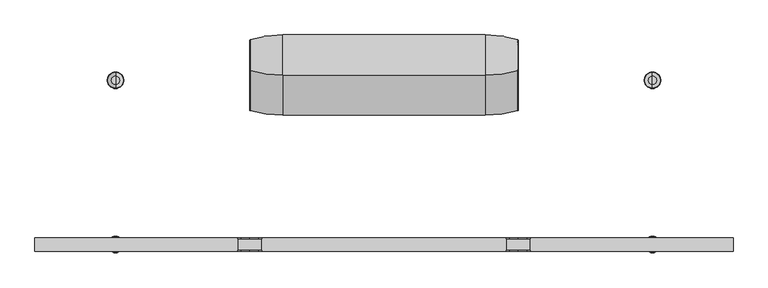
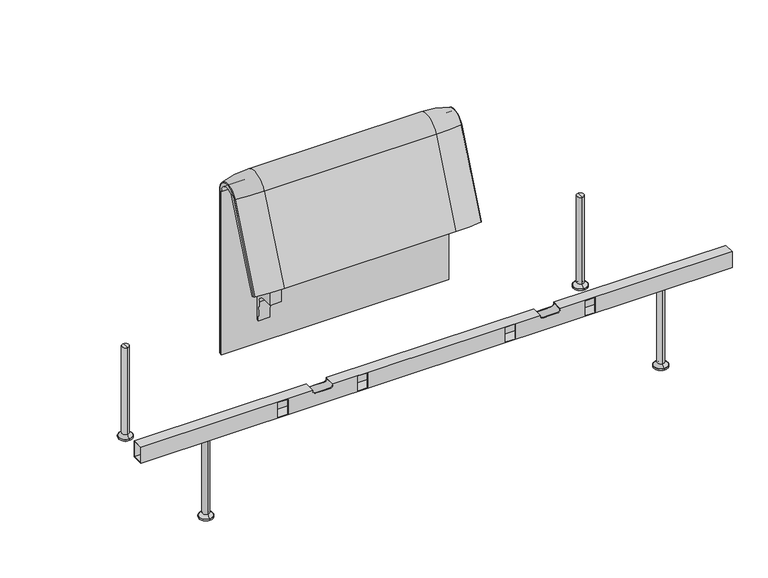
"""IFC4 building model written with IfcOpenShell, lengths in millimetres: furniture geometry."""

import ifcopenshell
import ifcopenshell.guid

model = None  # the IFC model being written
_history = None  # IfcOwnerHistory: only IFC2X3 demands one
_inside = {}  # id of a spatial element -> (the spatial element, [elements in it])
_under = {}  # id of a project, library or spatial element -> (it, [spatial elements below it])
_declared = {}  # id of a project -> (the project, [libraries it declares])
_typed = {}  # id of a type object -> (the type object, [elements of that type])
_made_of = {}  # id of a material, layer set ... -> (it, [elements and type objects made of it])


def new_model(schema):
    """Start an empty IFC model of exactly this schema.

    Asked for "IFC4X3", IfcOpenShell would pick the latest addendum, in which some entities
    have other attributes; the version numbers below select the first issue.
    IFC2X3 requires an IfcOwnerHistory on every rooted entity: one is made here for all.
    """
    global model, _history
    if schema == "IFC4X3":
        model = ifcopenshell.file(schema_version=(4, 3, 0, 0))
    else:
        model = ifcopenshell.file(schema=schema)
    _inside.clear()
    _under.clear()
    _declared.clear()
    _typed.clear()
    _made_of.clear()
    _history = None
    if model.schema == "IFC2X3":
        org = make("IfcOrganization", Name="unknown")
        user = make(
            "IfcPersonAndOrganization",
            ThePerson=make("IfcPerson", FamilyName="unknown"),
            TheOrganization=org,
        )
        app = make(
            "IfcApplication",
            ApplicationDeveloper=org,
            Version="unknown",
            ApplicationFullName="unknown",
            ApplicationIdentifier="unknown",
        )
        _history = make(
            "IfcOwnerHistory",
            OwningUser=user,
            OwningApplication=app,
            ChangeAction="ADDED",
            CreationDate=0,
        )
    return model


def make(cls, **values):
    """One entity of the class cls with the attributes given. An attribute that is None is left unset."""
    return model.create_entity(
        cls, **{name: value for name, value in values.items() if value is not None}
    )


def rooted(cls, **values):
    """An entity with a GlobalId (a new one), such as an element, a storey or a relation."""
    return make(cls, GlobalId=ifcopenshell.guid.new(), OwnerHistory=_history, **values)


def si_unit(unit_type, name, prefix=None):
    """IfcSIUnit, for example si_unit("LENGTHUNIT", "METRE", prefix="MILLI")."""
    return make("IfcSIUnit", UnitType=unit_type, Prefix=prefix, Name=name)


def assignment(units):
    """IfcUnitAssignment: the units of a project."""
    return None if units is None else make("IfcUnitAssignment", Units=units)


def point(xyz):
    """IfcCartesianPoint."""
    return None if xyz is None else make("IfcCartesianPoint", Coordinates=xyz)


def direction(xyz):
    """IfcDirection."""
    return None if xyz is None else make("IfcDirection", DirectionRatios=xyz)


def frame(location, z_axis=None, x_axis=None):
    """IfcAxis2Placement3D, a coordinate frame: its origin and axes. An axis left out is left unset."""
    return make(
        "IfcAxis2Placement3D",
        Location=point(location),
        Axis=direction(z_axis),
        RefDirection=direction(x_axis),
    )


def frame_2d(location, x_axis=None):
    """IfcAxis2Placement2D, a coordinate frame in the plane: its origin and x axis."""
    return make(
        "IfcAxis2Placement2D", Location=point(location), RefDirection=direction(x_axis)
    )


def origin():
    """The frame at (0, 0, 0) with its axes left unset."""
    return frame((0.0, 0.0, 0.0))


def place(relative_to, where):
    """IfcLocalPlacement: puts the frame where relative to a parent placement (None: the world)."""
    return make(
        "IfcLocalPlacement", PlacementRelTo=relative_to, RelativePlacement=where
    )


def context(
    kind, dimensions, precision=None, world=None, true_north=None, identifier=None
):
    """IfcGeometricRepresentationContext, for example the 3D "Model" context."""
    return make(
        "IfcGeometricRepresentationContext",
        ContextIdentifier=identifier,
        ContextType=kind,
        CoordinateSpaceDimension=dimensions,
        Precision=precision,
        WorldCoordinateSystem=world,
        TrueNorth=true_north,
    )


def project(units=None, contexts=None):
    """IfcProject with its units and contexts."""
    return rooted(
        "IfcProject",
        Name="project",
        RepresentationContexts=contexts,
        UnitsInContext=assignment(units),
    )


def spatial(cls, under=None, at=None, **own):
    """A site, building, storey or space (cls), placed at a placement, below another one or the project."""
    s = rooted(cls, ObjectPlacement=at, **own)
    if under is not None:
        _under.setdefault(under.id(), (under, []))[1].append(s)
    return s


def polyline(points):
    """IfcPolyline through the points."""
    return make("IfcPolyline", Points=[point(p) for p in points])


def circle_curve(where, radius):
    """IfcCircle in the frame where."""
    return make("IfcCircle", Position=where, Radius=radius)


def ellipse_curve(where, semi_axis1, semi_axis2):
    """IfcEllipse in the frame where."""
    return make(
        "IfcEllipse", Position=where, SemiAxis1=semi_axis1, SemiAxis2=semi_axis2
    )


def trimmed(basis, trim1, trim2, sense, master):
    """IfcTrimmedCurve: the piece of a basis curve between two trims."""
    return make(
        "IfcTrimmedCurve",
        BasisCurve=basis,
        Trim1=trim1,
        Trim2=trim2,
        SenseAgreement=sense,
        MasterRepresentation=master,
    )


def segment(curve, same_sense, transition):
    """IfcCompositeCurveSegment."""
    return make(
        "IfcCompositeCurveSegment",
        Transition=transition,
        SameSense=same_sense,
        ParentCurve=curve,
    )


def composite_curve(segments, self_intersect=None):
    """IfcCompositeCurve: segments joined end to end."""
    return make("IfcCompositeCurve", Segments=segments, SelfIntersect=self_intersect)


def outline(outer, holes=None, kind="AREA"):
    """IfcArbitraryClosedProfileDef: a profile drawn as a closed curve; with holes, ...WithVoids."""
    if holes is None:
        return make("IfcArbitraryClosedProfileDef", ProfileType=kind, OuterCurve=outer)
    return make(
        "IfcArbitraryProfileDefWithVoids",
        ProfileType=kind,
        OuterCurve=outer,
        InnerCurves=holes,
    )


def extrude(swept, where, along, depth):
    """IfcExtrudedAreaSolid: the profile swept, set in the frame where, extruded along a direction by depth."""
    return make(
        "IfcExtrudedAreaSolid",
        SweptArea=swept,
        Position=where,
        ExtrudedDirection=direction(along),
        Depth=depth,
    )


def shape(context_of_items, identifier, shape_type, items):
    """IfcShapeRepresentation: the items that make up one representation, for example the "Body"."""
    return make(
        "IfcShapeRepresentation",
        ContextOfItems=context_of_items,
        RepresentationIdentifier=identifier,
        RepresentationType=shape_type,
        Items=items,
    )


def source(mapping_origin, context_of_items, identifier, shape_type, items):
    """IfcRepresentationMap: a shape defined once, which mapped items show again and again."""
    return make(
        "IfcRepresentationMap",
        MappingOrigin=mapping_origin,
        MappedRepresentation=shape(context_of_items, identifier, shape_type, items),
    )


def transform(
    local_origin,
    x_axis=None,
    y_axis=None,
    z_axis=None,
    scale=None,
    scale2=None,
    scale3=None,
    uniform=True,
):
    """IfcCartesianTransformationOperator3D, or its non-uniform kind. x_axis, y_axis, z_axis: its Axis1, 2, 3."""
    if uniform:
        return make(
            "IfcCartesianTransformationOperator3D",
            Axis1=direction(x_axis),
            Axis2=direction(y_axis),
            LocalOrigin=point(local_origin),
            Scale=scale,
            Axis3=direction(z_axis),
        )
    return make(
        "IfcCartesianTransformationOperator3DnonUniform",
        Axis1=direction(x_axis),
        Axis2=direction(y_axis),
        LocalOrigin=point(local_origin),
        Scale=scale,
        Axis3=direction(z_axis),
        Scale2=scale2,
        Scale3=scale3,
    )


def mapped(mapping_source, mapping_target):
    """IfcMappedItem: shows the shape of a source again, moved by a transform."""
    return make(
        "IfcMappedItem", MappingSource=mapping_source, MappingTarget=mapping_target
    )


def made_of(thing, what):
    """Note that an element or type object is made of a material, layer set ...; save() writes the relation."""
    if what is not None:
        _made_of.setdefault(what.id(), (what, []))[1].append(thing)
    return thing


def element(
    cls,
    number,
    at=None,
    inside=None,
    cuts=None,
    type_object=None,
    material=None,
    context=None,
    identifier="Body",
    shape_type=None,
    held_by="IfcProductDefinitionShape",
    body=None,
    shapes=None,
    **own,
):
    """One element of the class cls, such as IfcWall. Its Tag is "e" and its number.

    at: its placement. inside: the storey or other place that contains it. cuts: it is an
    opening in that element (IfcRelVoidsElement). A single representation is given by context,
    identifier, shape_type and body (its items); several are given by shapes. held_by: the class
    of the entity that holds the representations. save() writes the other relations.
    """
    e = rooted(cls, Tag="e%d" % number, ObjectPlacement=at, **own)
    if body is not None:
        shapes = [shape(context, identifier, shape_type, body)]
    if shapes is not None:
        e.Representation = make(held_by, Representations=shapes)
    if inside is not None:
        _inside.setdefault(inside.id(), (inside, []))[1].append(e)
    if cuts is not None:
        rooted(
            "IfcRelVoidsElement", RelatingBuildingElement=cuts, RelatedOpeningElement=e
        )
    if type_object is not None:
        _typed.setdefault(type_object.id(), (type_object, []))[1].append(e)
    return made_of(e, material)


def aggregate(whole, parts):
    """IfcRelAggregates: a whole, such as a stair, and the parts it consists of."""
    return rooted("IfcRelAggregates", RelatingObject=whole, RelatedObjects=parts)


def save(model, path):
    """Write the relations noted so far, then the file.

    IfcRelAggregates (storeys below a building ...), IfcRelContainedInSpatialStructure (elements
    in a storey), IfcRelDefinesByType, IfcRelAssociatesMaterial and IfcRelDeclares: one each for
    every whole, place, type object, material and project.
    """
    for whole, parts in _under.values():
        aggregate(whole, parts)
    for where, things in _inside.values():
        rooted(
            "IfcRelContainedInSpatialStructure",
            RelatedElements=things,
            RelatingStructure=where,
        )
    for kind, things in _typed.values():
        rooted("IfcRelDefinesByType", RelatedObjects=things, RelatingType=kind)
    for what, things in _made_of.values():
        rooted("IfcRelAssociatesMaterial", RelatedObjects=things, RelatingMaterial=what)
    for by, libraries in _declared.values():
        rooted("IfcRelDeclares", RelatingContext=by, RelatedDefinitions=libraries)
    model.write(path)


def plane_surface(at):
    """IfcPlane: the flat surface through the origin of the frame at, square to its z axis."""
    return make("IfcPlane", Position=at)


def cylinder_surface(at, radius):
    """IfcCylindricalSurface: all points at the distance radius from the z axis of the frame at."""
    return make("IfcCylindricalSurface", Position=at, Radius=radius)


def revolved_surface(curve, axis_point, axis_direction):
    """IfcSurfaceOfRevolution: the curve turned about the line through axis_point along axis_direction."""
    return make(
        "IfcSurfaceOfRevolution",
        SweptCurve=make("IfcArbitraryOpenProfileDef", ProfileType="CURVE", Curve=curve),
        AxisPosition=make("IfcAxis1Placement", Location=point(axis_point), Axis=direction(axis_direction)),
    )


def advanced_brep(points, edges, surfaces, faces):
    """IfcAdvancedBrep: a solid bounded by faces that lie on surfaces and meet in shared edges.

    An edge is (start, end): straight between two places in points (the first is 0);
    or (start, end, curve); or (start, end, curve, False) where it runs against its curve.
    A face is (place in surfaces, loops), or (place, loops, False) where it looks against
    its surface's normal. A loop lists edges by number (the first is 1), with a minus sign
    where the edge is run from its end to its start. The first loop is the outer one.
    """
    corners = [point(p) for p in points]
    vertices = [make("IfcVertexPoint", VertexGeometry=c) for c in corners]
    made = []
    for start, end, *more in edges:
        made.append(
            make(
                "IfcEdgeCurve",
                EdgeStart=vertices[start],
                EdgeEnd=vertices[end],
                EdgeGeometry=more[0] if more else make("IfcPolyline", Points=[corners[start], corners[end]]),
                SameSense=more[1] if len(more) > 1 else True,
            )
        )
    hull = []
    for where, loops, *sense in faces:
        bounds = []
        for j, loop in enumerate(loops):
            ring = [make("IfcOrientedEdge", EdgeElement=made[abs(k) - 1], Orientation=k > 0) for k in loop]
            bounds.append(
                make(
                    "IfcFaceOuterBound" if j == 0 else "IfcFaceBound",
                    Bound=make("IfcEdgeLoop", EdgeList=ring),
                    Orientation=True,
                )
            )
        hull.append(make("IfcAdvancedFace", Bounds=bounds, FaceSurface=surfaces[where], SameSense=sense[0] if sense else True))
    return make("IfcAdvancedBrep", Outer=make("IfcClosedShell", CfsFaces=hull))


def furniture_bf29ee5d(model_context):
    return source(origin(), model_context, "Body", "SolidModel", [
        advanced_brep(
        [(405.86854, 373.93893, 100.5089435), (308.0071685, 388.2902376, 100.5089435), (308.0071685, 388.2902376, 720.3417731), (405.86854, 373.93893, 720.3417731), (-408.0071685, 292.4403877, 733.7122262), (-408.0071685, 359.7858817, 720.3417731), (408.0071685, 359.7858817, 720.3417731), (408.0071685, 292.4403877, 733.7122262), (-308.0071685, 388.2902376, 100.5089435), (-405.86854, 373.93893, 100.5089435), (-405.86854, 373.93893, 720.3417731), (-308.0071685, 388.2902376, 720.3417731), (-405.86854, 279.3607494, 739.1188739), (-408.0071685, 282.0164812, 738.0210907), (-408.0071685, 159.7723383, 442.2908598), (-405.86854, 157.1166065, 443.3886429), (-308.0071685, 266.0978884, 744.6012592), (-308.0071685, 143.8537454, 448.8710282), (408.0071685, 371.0652495, 100.5089435), (408.0071685, 359.7858817, 100.5089435), (-408.0071685, 359.7858817, 100.5089435), (-408.0071685, 371.0652495, 100.5089435), (408.0071685, 371.0652495, 720.3417731), (408.0071685, 282.0164812, 738.0210907), (408.0071685, 159.7723383, 442.2908598), (408.0071685, 170.1962447, 437.9819952), (308.0071685, 143.8537454, 448.8710282), (-408.0071685, 170.1962447, 437.9819952), (405.86854, 157.1166065, 443.3886429), (308.0071685, 266.0978884, 744.6012592), (405.86854, 279.3607494, 739.1188739), (-408.0071685, 371.0652495, 720.3417731)],
        [
            (0, 1, circle_curve(frame((308.0071685, 47.4569043, 100.5089435), z_axis=(0.0, 0.0, 1.0), x_axis=(0.0, -1.0, 0.0)), 340.8333333)),
            (1, 2),
            (2, 3, circle_curve(frame((308.0071685, 47.4569043, 720.3417731), z_axis=(0.0, 0.0, -1.0), x_axis=(0.0, -1.0, 0.0)), 340.8333333)),
            (3, 0),
            (4, 5, circle_curve(frame((-408.0071685, 324.7858817, 720.3417731), z_axis=(-1.0, 0.0, 0.0), x_axis=(0.0, 1.0, 0.0)), 35.0)),
            (5, 6),
            (6, 7, circle_curve(frame((408.0071685, 324.7858817, 720.3417731), z_axis=(1.0, 0.0, 0.0), x_axis=(0.0, 1.0, 0.0)), 35.0)),
            (7, 4),
            (8, 9, circle_curve(frame((-308.0071685, 47.4569043, 100.5089435), z_axis=(0.0, 0.0, 1.0), x_axis=(0.0, -1.0, 0.0)), 340.8333333)),
            (9, 10),
            (10, 11, circle_curve(frame((-308.0071685, 47.4569043, 720.3417731), z_axis=(0.0, 0.0, -1.0), x_axis=(0.0, -1.0, 0.0)), 340.8333333)),
            (11, 8),
            (12, 13, circle_curve(frame((-405.0071685, 282.0164812, 738.0210907), z_axis=(0.0, -0.38201294675155345, -0.9241569717933176), x_axis=(-1.0, 0.0, 0.0)), 3.0)),
            (13, 14),
            (14, 15, circle_curve(frame((-405.0071685, 159.7723383, 442.2908598), z_axis=(0.0, 0.38201294675155345, 0.9241569717933176), x_axis=(-1.0, 0.0, 0.0)), 3.0)),
            (15, 12),
            (16, 12, circle_curve(frame((-308.0071685, 581.0813896, 614.3985132), z_axis=(0.0, -0.38201294675155345, -0.9241569717933176), x_axis=(0.0, 0.9241569717933176, -0.38201294675155345)), 340.8333333)),
            (15, 17, circle_curve(frame((-308.0071685, 458.8372467, 318.6682822), z_axis=(0.0, 0.38201294675155345, 0.9241569717933176), x_axis=(0.0, 0.9241569717933176, -0.38201294675155345)), 340.8333333)),
            (17, 16),
            (0, 18, circle_curve(frame((405.0071685, 371.0652495, 100.5089435), z_axis=(0.0, 0.0, -1.0), x_axis=(1.0, 0.0, 0.0)), 3.0)),
            (18, 19),
            (19, 20),
            (20, 21),
            (21, 9, circle_curve(frame((-405.0071685, 371.0652495, 100.5089435), z_axis=(0.0, 0.0, -1.0), x_axis=(-1.0, 0.0, 0.0)), 3.0)),
            (8, 1),
            (11, 2),
            (3, 22, circle_curve(frame((405.0071685, 371.0652495, 720.3417731), z_axis=(0.0, 0.0, -1.0), x_axis=(1.0, 0.0, 0.0)), 3.0)),
            (22, 18),
            (22, 23, circle_curve(frame((408.0071685, 324.7858817, 720.3417731), z_axis=(1.0, 0.0, 0.0), x_axis=(0.0, 1.0, 0.0)), 46.2793679)),
            (23, 24),
            (24, 25),
            (25, 7),
            (6, 19),
            (5, 20),
            (26, 17),
            (14, 27),
            (27, 25),
            (24, 28, circle_curve(frame((405.0071685, 159.7723383, 442.2908598), z_axis=(0.0, -0.38201294675155345, -0.9241569717933176), x_axis=(1.0, 0.0, 0.0)), 3.0)),
            (28, 26, circle_curve(frame((308.0071685, 458.8372467, 318.6682822), z_axis=(0.0, -0.38201294675155345, -0.9241569717933176), x_axis=(0.0, 0.9241569717933176, -0.38201294675155345)), 340.8333333)),
            (29, 2, circle_curve(frame((308.0071685, 324.7858817, 720.3417731), z_axis=(-1.0, 0.0, 0.0), x_axis=(0.0, 1.0, 0.0)), 63.5043559)),
            (11, 16, circle_curve(frame((-308.0071685, 324.7858817, 720.3417731), z_axis=(1.0, 0.0, 0.0), x_axis=(0.0, 1.0, 0.0)), 63.5043559)),
            (16, 29),
            (30, 3, circle_curve(frame((405.86854, 324.7858817, 720.3417731), z_axis=(-1.0, 0.0, 0.0), x_axis=(0.0, 1.0, 0.0)), 49.1530483)),
            (29, 30, circle_curve(frame((308.0071685, 581.0813896, 614.3985132), z_axis=(0.0, 0.382012946751556, 0.9241569717933165), x_axis=(0.0, 0.9241569717933165, -0.382012946751556)), 340.8333333)),
            (30, 23, circle_curve(frame((405.0071685, 282.0164812, 738.0210907), z_axis=(0.0, 0.3820129467515552, 0.9241569717933168), x_axis=(1.0, 0.0, 0.0)), 3.0)),
            (26, 29),
            (28, 30),
            (27, 4),
            (13, 31, circle_curve(frame((-408.0071685, 324.7858817, 720.3417731), z_axis=(-1.0, 0.0, 0.0), x_axis=(0.0, 1.0, 0.0)), 46.2793679)),
            (31, 21),
            (31, 10, circle_curve(frame((-405.0071685, 371.0652495, 720.3417731), z_axis=(0.0, 0.0, -1.0), x_axis=(-1.0, 0.0, 0.0)), 3.0)),
            (12, 10, circle_curve(frame((-405.86854, 324.7858817, 720.3417731), z_axis=(-1.0, 0.0, 0.0), x_axis=(0.0, 1.0, 0.0)), 49.1530483)),
        ],
        [
            cylinder_surface(frame((308.0071685, 47.4569043, 100.5089435), z_axis=(0.0, 0.0, -1.0), x_axis=(0.0, -1.0, 0.0)), 340.8333333),
            revolved_surface(polyline([(408.0071685, 359.7858817, 720.3417731), (-408.0071685, 359.7858817, 720.3417731)]), (4.7650232, 324.7858817, 720.3417731), (1.0, 0.0, 0.0)),
            cylinder_surface(frame((-308.0071685, 47.4569043, 100.5089435), z_axis=(0.0, 0.0, -1.0), x_axis=(0.0, -1.0, 0.0)), 340.8333333),
            cylinder_surface(frame((-405.0071685, 282.0164812, 738.0210907), z_axis=(0.0, 0.38201294675155345, 0.9241569717933176), x_axis=(-1.0, 0.0, 0.0)), 3.0),
            cylinder_surface(frame((-308.0071685, 581.0813896, 614.3985132), z_axis=(0.0, 0.38201294675155345, 0.9241569717933176), x_axis=(0.0, 0.9241569717933176, -0.38201294675155345)), 340.8333333),
            plane_surface(frame((4.7650232, 359.7858817, 100.5089435), z_axis=(0.0, 0.0, -1.0), x_axis=(1.0, 0.0, 0.0))),
            plane_surface(frame((-308.0071685, 388.2902376, 100.5089435), z_axis=(0.0, 1.0, 0.0), x_axis=(0.0, 0.0, 1.0))),
            cylinder_surface(frame((405.0071685, 371.0652495, 100.5089435), z_axis=(0.0, 0.0, -1.0), x_axis=(1.0, 0.0, 0.0)), 3.0),
            plane_surface(frame((408.0071685, 371.0652495, 100.5089435), z_axis=(1.0, 0.0, 0.0), x_axis=(0.0, 0.0, 1.0))),
            plane_surface(frame((408.0071685, 359.7858817, 100.5089435), z_axis=(0.0, -1.0, 0.0), x_axis=(0.0, 0.0, 1.0))),
            plane_surface(frame((4.7650232, 170.1962447, 437.9819952), z_axis=(0.0, -0.38201294675155345, -0.9241569717933176), x_axis=(1.0, 0.0, 0.0))),
            cylinder_surface(frame((4.7650232, 324.7858817, 720.3417731), z_axis=(1.0, 0.0, 0.0), x_axis=(0.0, 1.0, 0.0)), 63.5043559),
            revolved_surface(trimmed(ellipse_curve(frame((308.0071685, 47.4569043, 720.3417731), z_axis=(0.0, 0.0, -1.0), x_axis=(0.0, -1.0, 0.0)), 340.8333333, 340.8333333), [point((308.0071685, 388.2902376, 720.3417731))], [point((405.86854, 373.93893, 720.3417731))], True, "CARTESIAN"), (4.7650232, 324.7858817, 720.3417731), (1.0, 0.0, 0.0)),
            revolved_surface(trimmed(ellipse_curve(frame((405.0071685, 371.0652495, 720.3417731), z_axis=(0.0, 0.0, -1.0), x_axis=(1.0, 0.0, 0.0)), 3.0, 3.0), [point((405.86854, 373.93893, 720.3417731))], [point((408.0071685, 371.0652495, 720.3417731))], True, "CARTESIAN"), (4.7650232, 324.7858817, 720.3417731), (1.0, 0.0, 0.0)),
            plane_surface(frame((-308.0071685, 266.0978884, 744.6012592), z_axis=(0.0, -0.9241569717933176, 0.38201294675155356), x_axis=(0.0, -0.38201294675155356, -0.9241569717933176))),
            cylinder_surface(frame((308.0071685, 581.0813896, 614.3985132), z_axis=(0.0, 0.38201294675155345, 0.9241569717933176), x_axis=(0.0, 0.9241569717933176, -0.38201294675155345)), 340.8333333),
            cylinder_surface(frame((405.0071685, 282.0164812, 738.0210907), z_axis=(0.0, 0.38201294675155345, 0.9241569717933176), x_axis=(1.0, 0.0, 0.0)), 3.0),
            plane_surface(frame((408.0071685, 292.4403877, 733.7122262), z_axis=(0.0, 0.9241569717933176, -0.38201294675155356), x_axis=(0.0, -0.38201294675155356, -0.9241569717933176))),
            plane_surface(frame((-408.0071685, 359.7858817, 100.5089435), z_axis=(-1.0, 0.0, 0.0), x_axis=(0.0, 0.0, 1.0))),
            cylinder_surface(frame((-405.0071685, 371.0652495, 100.5089435), z_axis=(0.0, 0.0, -1.0), x_axis=(-1.0, 0.0, 0.0)), 3.0),
            revolved_surface(trimmed(ellipse_curve(frame((-405.0071685, 371.0652495, 720.3417731), z_axis=(0.0, 0.0, -1.0), x_axis=(-1.0, 0.0, 0.0)), 3.0, 3.0), [point((-408.0071685, 371.0652495, 720.3417731))], [point((-405.86854, 373.93893, 720.3417731))], True, "CARTESIAN"), (4.7650232, 324.7858817, 720.3417731), (1.0, 0.0, 0.0)),
            revolved_surface(trimmed(ellipse_curve(frame((-308.0071685, 47.4569043, 720.3417731), z_axis=(0.0, 0.0, -1.0), x_axis=(0.0, -1.0, 0.0)), 340.8333333, 340.8333333), [point((-405.86854, 373.93893, 720.3417731))], [point((-308.0071685, 388.2902376, 720.3417731))], True, "CARTESIAN"), (4.7650232, 324.7858817, 720.3417731), (1.0, 0.0, 0.0)),
        ],
        [
            (0, [[1, 2, 3, 4]]),
            (1, [[5, 6, 7, 8]]),
            (2, [[9, 10, 11, 12]]),
            (3, [[13, 14, 15, 16]]),
            (4, [[17, -16, 18, 19]]),
            (5, [[-1, 20, 21, 22, 23, 24, -9, 25]]),
            (6, [[-25, -12, 26, -2]]),
            (7, [[-20, -4, 27, 28]]),
            (8, [[-21, -28, 29, 30, 31, 32, -7, 33]]),
            (9, [[-22, -33, -6, 34]]),
            (10, [[35, -18, -15, 36, 37, -31, 38, 39]]),
            (11, [[40, -26, 41, 42]]),
            (12, [[43, -3, -40, 44]]),
            (13, [[-29, -27, -43, 45]]),
            (14, [[-42, -19, -35, 46]]),
            (15, [[-44, -46, -39, 47]]),
            (16, [[-45, -47, -38, -30]]),
            (17, [[-8, -32, -37, 48]]),
            (18, [[-23, -34, -5, -48, -36, -14, 49, 50]]),
            (19, [[-24, -50, 51, -10]]),
            (20, [[52, -51, -49, -13]]),
            (21, [[-41, -11, -52, -17]]),
        ],
    ),
        extrude(outline(composite_curve([segment(trimmed(circle_curve(frame_2d((305.0000061, 379.9223263)), 30.0), [point((305.0000061, 349.9223263))], [point((335.0000061, 379.9223263))], True, "CARTESIAN"), True, "CONTINUOUS"), segment(polyline([(335.0000061, 379.9223263), (335.0000061, 515.0657595)]), True, "CONTINUOUS"), segment(trimmed(circle_curve(frame_2d((305.0000061, 515.0657595)), 30.0), [point((335.0000061, 515.0657595))], [point((316.7219399, 542.6809051))], True, "CARTESIAN"), True, "CONTINUOUS"), segment(polyline([(316.7219399, 542.6809051), (257.4911714, 567.8228747)]), True, "CONTINUOUS"), segment(trimmed(circle_curve(frame_2d((251.6302045, 554.0153019)), 15.0), [point((257.4911714, 567.8228747))], [point((238.0355877, 560.3545758))], True, "CARTESIAN"), True, "CONTINUOUS"), segment(polyline([(238.0355877, 560.3545758), (222.2725218, 526.5505721), (213.7507451, 529.5682915), (296.3054528, 724.0549949)]), True, "CONTINUOUS"), segment(trimmed(circle_curve(frame_2d((322.520748, 712.9272623)), 28.479258), [point((296.3054528, 724.0549949))], [point((351.0000061, 712.9272623))], False, "CARTESIAN"), True, "CONTINUOUS"), segment(polyline([(351.0000061, 712.9272623), (351.0000061, 197.0551771), (343.3075759, 197.0551771), (339.4064861, 271.492405)]), True, "CONTINUOUS"), segment(trimmed(circle_curve(frame_2d((309.4476, 269.9223263)), 30.0), [point((339.4064861, 271.492405))], [point((309.4476, 299.9223263))], True, "CARTESIAN"), True, "CONTINUOUS"), segment(polyline([(309.4476, 299.9223263), (270.0000061, 299.9223263), (270.0000061, 359.9223263), (275.0000061, 359.9223263)]), True, "CONTINUOUS"), segment(trimmed(circle_curve(frame_2d((285.0000061, 359.9223263)), 10.0), [point((275.0000061, 359.9223263))], [point((285.0000061, 349.9223263))], True, "CARTESIAN"), True, "CONTINUOUS"), segment(polyline([(285.0000061, 349.9223263), (305.0000061, 349.9223263)]), True, "CONTINUOUS")], self_intersect=False), holes=[composite_curve([segment(polyline([(337.5000061, 576.3274105), (337.5000061, 716.7072663)]), True, "CONTINUOUS"), segment(trimmed(circle_curve(frame_2d((322.5000061, 716.7072663)), 15.0), [point((337.5000061, 716.7072663))], [point((308.9053893, 723.0465402))], True, "CARTESIAN"), True, "CONTINUOUS"), segment(polyline([(308.9053893, 723.0465402), (253.6256191, 604.4986904)]), True, "CONTINUOUS"), segment(trimmed(circle_curve(frame_2d((271.7517748, 596.0463251)), 20.0), [point((253.6256191, 604.4986904))], [point((265.0756376, 577.1934953))], True, "CARTESIAN"), True, "CONTINUOUS"), segment(polyline([(265.0756376, 577.1934953), (314.1406626, 559.8186587)]), True, "CONTINUOUS"), segment(trimmed(circle_curve(frame_2d((319.9867182, 576.3274105)), 17.5132879), [point((314.1406626, 559.8186587))], [point((337.5000061, 576.3274105))], True, "CARTESIAN"), True, "CONTINUOUS")], self_intersect=False)]), frame((-284.9947968, 0.0, 0.0), z_axis=(1.0, 0.0, 0.0), x_axis=(0.0, 1.0, 0.0)), (0.0, 0.0, 1.0), 40.0),
        advanced_brep(
        [(815.9812488, -250.0000031, 0.0), (815.9812488, -225.0000031, 0.0), (815.9812488, -275.0000031, 0.0), (815.9812488, -262.4715672, 344.8637637), (815.9812488, -237.5284391, 344.8637637), (815.9812488, -250.0000031, 344.8637637), (815.9812488, -262.4715672, 16.2604994), (815.9812488, -237.5284391, 16.2604994), (815.9812488, -273.2294713, 5.5025953), (815.9812488, -226.770535, 5.5025953), (815.9812488, -275.0000031, 5.5025953), (815.9812488, -225.0000031, 5.5025953)],
        [
            (0, 1),
            (1, 2, circle_curve(frame((815.9812488, -250.0000031, 0.0), z_axis=(0.0, 0.0, -1.0), x_axis=(0.0, 1.0, 0.0)), 25.0)),
            (2, 0),
            (2, 1, circle_curve(frame((815.9812488, -250.0000031, 0.0), z_axis=(0.0, 0.0, -1.0), x_axis=(0.0, 1.0, 0.0)), 25.0)),
            (3, 4, circle_curve(frame((815.9812488, -250.0000031, 344.8637637), z_axis=(0.0, 0.0, 1.0), x_axis=(0.0, 1.0, 0.0)), 12.471564)),
            (4, 5),
            (5, 3),
            (4, 3, circle_curve(frame((815.9812488, -250.0000031, 344.8637637), z_axis=(0.0, 0.0, 1.0), x_axis=(0.0, 1.0, 0.0)), 12.471564)),
            (6, 7, circle_curve(frame((815.9812488, -250.0000031, 16.2604994), z_axis=(0.0, 0.0, 1.0), x_axis=(0.0, 1.0, 0.0)), 12.471564)),
            (7, 4),
            (3, 6),
            (7, 6, circle_curve(frame((815.9812488, -250.0000031, 16.2604994), z_axis=(0.0, 0.0, 1.0), x_axis=(0.0, 1.0, 0.0)), 12.471564)),
            (8, 9, circle_curve(frame((815.9812488, -250.0000031, 5.5025953), z_axis=(0.0, 0.0, 1.0), x_axis=(0.0, 1.0, 0.0)), 23.2294681)),
            (9, 7, circle_curve(frame((815.9812488, -226.770535, 16.2604994), z_axis=(-1.0, 0.0, 0.0), x_axis=(0.0, 1.0, 0.0)), 10.7579041)),
            (6, 8, circle_curve(frame((815.9812488, -273.2294713, 16.2604994), z_axis=(-1.0, 0.0, 0.0), x_axis=(0.0, -1.0, 0.0)), 10.7579041)),
            (9, 8, circle_curve(frame((815.9812488, -250.0000031, 5.5025953), z_axis=(0.0, 0.0, 1.0), x_axis=(0.0, 1.0, 0.0)), 23.2294681)),
            (10, 11, circle_curve(frame((815.9812488, -250.0000031, 5.5025953), z_axis=(0.0, 0.0, 1.0), x_axis=(0.0, 1.0, 0.0)), 25.0)),
            (11, 9),
            (8, 10),
            (11, 10, circle_curve(frame((815.9812488, -250.0000031, 5.5025953), z_axis=(0.0, 0.0, 1.0), x_axis=(0.0, 1.0, 0.0)), 25.0)),
            (1, 11),
            (10, 2),
        ],
        [
            plane_surface(frame((815.9812488, -250.0000031, 0.0), z_axis=(0.0, 0.0, -1.0), x_axis=(0.0, 1.0, 0.0))),
            plane_surface(frame((815.9812488, -250.0000031, 344.8637637), z_axis=(0.0, 0.0, 1.0), x_axis=(0.0, 1.0, 0.0))),
            cylinder_surface(frame((815.9812488, -250.0000031, 344.8637637), z_axis=(0.0, 0.0, -1.0), x_axis=(0.0, 1.0, 0.0)), 12.471564),
            revolved_surface(trimmed(ellipse_curve(frame((815.9812488, -226.770535, 16.2604994), z_axis=(1.0, 0.0, 0.0), x_axis=(0.0, 1.0, 0.0)), 10.7579041, 10.7579041), [point((815.9812488, -237.5284391, 16.2604994))], [point((815.9812488, -226.770535, 5.5025953))], True, "CARTESIAN"), (815.9812488, -250.0000031, 344.8637637), (0.0, 0.0, -1.0)),
            plane_surface(frame((815.9812488, -250.0000031, 5.5025953), z_axis=(0.0, 0.0, 1.0), x_axis=(0.0, 1.0, 0.0))),
            cylinder_surface(frame((815.9812488, -250.0000031, 344.8637637), z_axis=(0.0, 0.0, -1.0), x_axis=(0.0, 1.0, 0.0)), 25.0),
        ],
        [
            (0, [[1, 2, 3]]),
            (0, [[-3, 4, -1]]),
            (1, [[5, 6, 7]]),
            (1, [[8, -7, -6]]),
            (2, [[9, 10, -5, 11]]),
            (2, [[12, -11, -8, -10]]),
            (3, [[13, 14, -9, 15]]),
            (3, [[16, -15, -12, -14]]),
            (4, [[17, 18, -13, 19]]),
            (4, [[20, -19, -16, -18]]),
            (5, [[-2, 21, -17, 22]]),
            (5, [[-4, -22, -20, -21]]),
        ],
    ),
        advanced_brep(
        [(815.9812488, 275.0000031, 0.0), (815.9812488, 225.0000031, 0.0), (815.9812488, 250.0000031, 0.0), (815.9812488, 250.0000031, 344.8637637), (815.9812488, 237.5284391, 344.8637637), (815.9812488, 262.4715672, 344.8637637), (815.9812488, 237.5284391, 16.2604994), (815.9812488, 262.4715672, 16.2604994), (815.9812488, 226.770535, 5.5025953), (815.9812488, 273.2294713, 5.5025953), (815.9812488, 225.0000031, 5.5025953), (815.9812488, 275.0000031, 5.5025953)],
        [
            (0, 1, circle_curve(frame((815.9812488, 250.0000031, 0.0), z_axis=(0.0, 0.0, -1.0), x_axis=(0.0, -1.0, 0.0)), 25.0)),
            (1, 2),
            (2, 0),
            (1, 0, circle_curve(frame((815.9812488, 250.0000031, 0.0), z_axis=(0.0, 0.0, -1.0), x_axis=(0.0, -1.0, 0.0)), 25.0)),
            (3, 4),
            (4, 5, circle_curve(frame((815.9812488, 250.0000031, 344.8637637), z_axis=(0.0, 0.0, 1.0), x_axis=(0.0, -1.0, 0.0)), 12.471564)),
            (5, 3),
            (5, 4, circle_curve(frame((815.9812488, 250.0000031, 344.8637637), z_axis=(0.0, 0.0, 1.0), x_axis=(0.0, -1.0, 0.0)), 12.471564)),
            (4, 6),
            (6, 7, circle_curve(frame((815.9812488, 250.0000031, 16.2604994), z_axis=(0.0, 0.0, 1.0), x_axis=(0.0, -1.0, 0.0)), 12.471564)),
            (7, 5),
            (7, 6, circle_curve(frame((815.9812488, 250.0000031, 16.2604994), z_axis=(0.0, 0.0, 1.0), x_axis=(0.0, -1.0, 0.0)), 12.471564)),
            (6, 8, circle_curve(frame((815.9812488, 226.770535, 16.2604994), z_axis=(-1.0, 0.0, 0.0), x_axis=(0.0, -1.0, 0.0)), 10.7579041)),
            (8, 9, circle_curve(frame((815.9812488, 250.0000031, 5.5025953), z_axis=(0.0, 0.0, 1.0), x_axis=(0.0, -1.0, 0.0)), 23.2294681)),
            (9, 7, circle_curve(frame((815.9812488, 273.2294713, 16.2604994), z_axis=(-1.0, 0.0, 0.0), x_axis=(0.0, 1.0, 0.0)), 10.7579041)),
            (9, 8, circle_curve(frame((815.9812488, 250.0000031, 5.5025953), z_axis=(0.0, 0.0, 1.0), x_axis=(0.0, -1.0, 0.0)), 23.2294681)),
            (8, 10),
            (10, 11, circle_curve(frame((815.9812488, 250.0000031, 5.5025953), z_axis=(0.0, 0.0, 1.0), x_axis=(0.0, -1.0, 0.0)), 25.0)),
            (11, 9),
            (11, 10, circle_curve(frame((815.9812488, 250.0000031, 5.5025953), z_axis=(0.0, 0.0, 1.0), x_axis=(0.0, -1.0, 0.0)), 25.0)),
            (10, 1),
            (0, 11),
        ],
        [
            plane_surface(frame((815.9812488, 250.0000031, 0.0), z_axis=(0.0, 0.0, -1.0), x_axis=(0.0, -1.0, 0.0))),
            plane_surface(frame((815.9812488, 250.0000031, 344.8637637), z_axis=(0.0, 0.0, 1.0), x_axis=(0.0, -1.0, 0.0))),
            cylinder_surface(frame((815.9812488, 250.0000031, 344.8637637), z_axis=(0.0, 0.0, 1.0), x_axis=(0.0, -1.0, 0.0)), 12.471564),
            revolved_surface(trimmed(ellipse_curve(frame((815.9812488, 226.770535, 16.2604994), z_axis=(1.0, 0.0, 0.0), x_axis=(0.0, -1.0, 0.0)), 10.7579041, 10.7579041), [point((815.9812488, 226.770535, 5.5025953))], [point((815.9812488, 237.5284391, 16.2604994))], True, "CARTESIAN"), (815.9812488, 250.0000031, 344.8637637), (0.0, 0.0, 1.0)),
            plane_surface(frame((815.9812488, 250.0000031, 5.5025953), z_axis=(0.0, 0.0, 1.0), x_axis=(0.0, -1.0, 0.0))),
            cylinder_surface(frame((815.9812488, 250.0000031, 344.8637637), z_axis=(0.0, 0.0, 1.0), x_axis=(0.0, -1.0, 0.0)), 25.0),
        ],
        [
            (0, [[1, 2, 3]]),
            (0, [[4, -3, -2]]),
            (1, [[5, 6, 7]]),
            (1, [[-7, 8, -5]]),
            (2, [[-6, 9, 10, 11]]),
            (2, [[-8, -11, 12, -9]]),
            (3, [[-10, 13, 14, 15]]),
            (3, [[-12, -15, 16, -13]]),
            (4, [[-14, 17, 18, 19]]),
            (4, [[-16, -19, 20, -17]]),
            (5, [[-18, 21, -1, 22]]),
            (5, [[-20, -22, -4, -21]]),
        ],
    ),
        advanced_brep(
        [(-815.9812488, -275.0000031, 0.0), (-815.9812488, -225.0000031, 0.0), (-815.9812488, -250.0000031, 0.0), (-815.9812488, -250.0000031, 344.8637637), (-815.9812488, -237.5284391, 344.8637637), (-815.9812488, -262.4715672, 344.8637637), (-815.9812488, -237.5284391, 16.2604994), (-815.9812488, -262.4715672, 16.2604994), (-815.9812488, -226.770535, 5.5025953), (-815.9812488, -273.2294713, 5.5025953), (-815.9812488, -225.0000031, 5.5025953), (-815.9812488, -275.0000031, 5.5025953)],
        [
            (0, 1, circle_curve(frame((-815.9812488, -250.0000031, 0.0), z_axis=(0.0, 0.0, -1.0), x_axis=(0.0, 1.0, 0.0)), 25.0)),
            (1, 2),
            (2, 0),
            (1, 0, circle_curve(frame((-815.9812488, -250.0000031, 0.0), z_axis=(0.0, 0.0, -1.0), x_axis=(0.0, 1.0, 0.0)), 25.0)),
            (3, 4),
            (4, 5, circle_curve(frame((-815.9812488, -250.0000031, 344.8637637), z_axis=(0.0, 0.0, 1.0), x_axis=(0.0, 1.0, 0.0)), 12.471564)),
            (5, 3),
            (5, 4, circle_curve(frame((-815.9812488, -250.0000031, 344.8637637), z_axis=(0.0, 0.0, 1.0), x_axis=(0.0, 1.0, 0.0)), 12.471564)),
            (4, 6),
            (6, 7, circle_curve(frame((-815.9812488, -250.0000031, 16.2604994), z_axis=(0.0, 0.0, 1.0), x_axis=(0.0, 1.0, 0.0)), 12.471564)),
            (7, 5),
            (7, 6, circle_curve(frame((-815.9812488, -250.0000031, 16.2604994), z_axis=(0.0, 0.0, 1.0), x_axis=(0.0, 1.0, 0.0)), 12.471564)),
            (6, 8, circle_curve(frame((-815.9812488, -226.770535, 16.2604994), z_axis=(1.0, 0.0, 0.0), x_axis=(0.0, 1.0, 0.0)), 10.7579041)),
            (8, 9, circle_curve(frame((-815.9812488, -250.0000031, 5.5025953), z_axis=(0.0, 0.0, 1.0), x_axis=(0.0, 1.0, 0.0)), 23.2294681)),
            (9, 7, circle_curve(frame((-815.9812488, -273.2294713, 16.2604994), z_axis=(1.0, 0.0, 0.0), x_axis=(0.0, -1.0, 0.0)), 10.7579041)),
            (9, 8, circle_curve(frame((-815.9812488, -250.0000031, 5.5025953), z_axis=(0.0, 0.0, 1.0), x_axis=(0.0, 1.0, 0.0)), 23.2294681)),
            (8, 10),
            (10, 11, circle_curve(frame((-815.9812488, -250.0000031, 5.5025953), z_axis=(0.0, 0.0, 1.0), x_axis=(0.0, 1.0, 0.0)), 25.0)),
            (11, 9),
            (11, 10, circle_curve(frame((-815.9812488, -250.0000031, 5.5025953), z_axis=(0.0, 0.0, 1.0), x_axis=(0.0, 1.0, 0.0)), 25.0)),
            (10, 1),
            (0, 11),
        ],
        [
            plane_surface(frame((-815.9812488, -250.0000031, 0.0), z_axis=(0.0, 0.0, -1.0), x_axis=(0.0, 1.0, 0.0))),
            plane_surface(frame((-815.9812488, -250.0000031, 344.8637637), z_axis=(0.0, 0.0, 1.0), x_axis=(0.0, 1.0, 0.0))),
            cylinder_surface(frame((-815.9812488, -250.0000031, 344.8637637), z_axis=(0.0, 0.0, 1.0), x_axis=(0.0, 1.0, 0.0)), 12.471564),
            revolved_surface(trimmed(ellipse_curve(frame((-815.9812488, -226.770535, 16.2604994), z_axis=(-1.0, 0.0, 0.0), x_axis=(0.0, 1.0, 0.0)), 10.7579041, 10.7579041), [point((-815.9812488, -226.770535, 5.5025953))], [point((-815.9812488, -237.5284391, 16.2604994))], True, "CARTESIAN"), (-815.9812488, -250.0000031, 344.8637637), (0.0, 0.0, 1.0)),
            plane_surface(frame((-815.9812488, -250.0000031, 5.5025953), z_axis=(0.0, 0.0, 1.0), x_axis=(0.0, 1.0, 0.0))),
            cylinder_surface(frame((-815.9812488, -250.0000031, 344.8637637), z_axis=(0.0, 0.0, 1.0), x_axis=(0.0, 1.0, 0.0)), 25.0),
        ],
        [
            (0, [[1, 2, 3]]),
            (0, [[4, -3, -2]]),
            (1, [[5, 6, 7]]),
            (1, [[-7, 8, -5]]),
            (2, [[-6, 9, 10, 11]]),
            (2, [[-8, -11, 12, -9]]),
            (3, [[-10, 13, 14, 15]]),
            (3, [[-12, -15, 16, -13]]),
            (4, [[-14, 17, 18, 19]]),
            (4, [[-16, -19, 20, -17]]),
            (5, [[-18, 21, -1, 22]]),
            (5, [[-20, -22, -4, -21]]),
        ],
    ),
        advanced_brep(
        [(-815.9812488, 250.0000031, 0.0), (-815.9812488, 225.0000031, 0.0), (-815.9812488, 275.0000031, 0.0), (-815.9812488, 262.4715672, 344.8637637), (-815.9812488, 237.5284391, 344.8637637), (-815.9812488, 250.0000031, 344.8637637), (-815.9812488, 262.4715672, 16.2604994), (-815.9812488, 237.5284391, 16.2604994), (-815.9812488, 273.2294713, 5.5025953), (-815.9812488, 226.770535, 5.5025953), (-815.9812488, 275.0000031, 5.5025953), (-815.9812488, 225.0000031, 5.5025953)],
        [
            (0, 1),
            (1, 2, circle_curve(frame((-815.9812488, 250.0000031, 0.0), z_axis=(0.0, 0.0, -1.0), x_axis=(0.0, -1.0, 0.0)), 25.0)),
            (2, 0),
            (2, 1, circle_curve(frame((-815.9812488, 250.0000031, 0.0), z_axis=(0.0, 0.0, -1.0), x_axis=(0.0, -1.0, 0.0)), 25.0)),
            (3, 4, circle_curve(frame((-815.9812488, 250.0000031, 344.8637637), z_axis=(0.0, 0.0, 1.0), x_axis=(0.0, -1.0, 0.0)), 12.471564)),
            (4, 5),
            (5, 3),
            (4, 3, circle_curve(frame((-815.9812488, 250.0000031, 344.8637637), z_axis=(0.0, 0.0, 1.0), x_axis=(0.0, -1.0, 0.0)), 12.471564)),
            (6, 7, circle_curve(frame((-815.9812488, 250.0000031, 16.2604994), z_axis=(0.0, 0.0, 1.0), x_axis=(0.0, -1.0, 0.0)), 12.471564)),
            (7, 4),
            (3, 6),
            (7, 6, circle_curve(frame((-815.9812488, 250.0000031, 16.2604994), z_axis=(0.0, 0.0, 1.0), x_axis=(0.0, -1.0, 0.0)), 12.471564)),
            (8, 9, circle_curve(frame((-815.9812488, 250.0000031, 5.5025953), z_axis=(0.0, 0.0, 1.0), x_axis=(0.0, -1.0, 0.0)), 23.2294681)),
            (9, 7, circle_curve(frame((-815.9812488, 226.770535, 16.2604994), z_axis=(1.0, 0.0, 0.0), x_axis=(0.0, -1.0, 0.0)), 10.7579041)),
            (6, 8, circle_curve(frame((-815.9812488, 273.2294713, 16.2604994), z_axis=(1.0, 0.0, 0.0), x_axis=(0.0, 1.0, 0.0)), 10.7579041)),
            (9, 8, circle_curve(frame((-815.9812488, 250.0000031, 5.5025953), z_axis=(0.0, 0.0, 1.0), x_axis=(0.0, -1.0, 0.0)), 23.2294681)),
            (10, 11, circle_curve(frame((-815.9812488, 250.0000031, 5.5025953), z_axis=(0.0, 0.0, 1.0), x_axis=(0.0, -1.0, 0.0)), 25.0)),
            (11, 9),
            (8, 10),
            (11, 10, circle_curve(frame((-815.9812488, 250.0000031, 5.5025953), z_axis=(0.0, 0.0, 1.0), x_axis=(0.0, -1.0, 0.0)), 25.0)),
            (1, 11),
            (10, 2),
        ],
        [
            plane_surface(frame((-815.9812488, 250.0000031, 0.0), z_axis=(0.0, 0.0, -1.0), x_axis=(0.0, -1.0, 0.0))),
            plane_surface(frame((-815.9812488, 250.0000031, 344.8637637), z_axis=(0.0, 0.0, 1.0), x_axis=(0.0, -1.0, 0.0))),
            cylinder_surface(frame((-815.9812488, 250.0000031, 344.8637637), z_axis=(0.0, 0.0, -1.0), x_axis=(0.0, -1.0, 0.0)), 12.471564),
            revolved_surface(trimmed(ellipse_curve(frame((-815.9812488, 226.770535, 16.2604994), z_axis=(-1.0, 0.0, 0.0), x_axis=(0.0, -1.0, 0.0)), 10.7579041, 10.7579041), [point((-815.9812488, 237.5284391, 16.2604994))], [point((-815.9812488, 226.770535, 5.5025953))], True, "CARTESIAN"), (-815.9812488, 250.0000031, 344.8637637), (0.0, 0.0, -1.0)),
            plane_surface(frame((-815.9812488, 250.0000031, 5.5025953), z_axis=(0.0, 0.0, 1.0), x_axis=(0.0, -1.0, 0.0))),
            cylinder_surface(frame((-815.9812488, 250.0000031, 344.8637637), z_axis=(0.0, 0.0, -1.0), x_axis=(0.0, -1.0, 0.0)), 25.0),
        ],
        [
            (0, [[1, 2, 3]]),
            (0, [[-3, 4, -1]]),
            (1, [[5, 6, 7]]),
            (1, [[8, -7, -6]]),
            (2, [[9, 10, -5, 11]]),
            (2, [[12, -11, -8, -10]]),
            (3, [[13, 14, -9, 15]]),
            (3, [[16, -15, -12, -14]]),
            (4, [[17, 18, -13, 19]]),
            (4, [[20, -19, -16, -18]]),
            (5, [[-2, 21, -17, 22]]),
            (5, [[-4, -22, -20, -21]]),
        ],
    ),
        advanced_brep(
        [(-407.9906244, -230.0000056, 346.6346058), (-407.9906244, -232.0000018, 346.6346058), (-381.9939756, -232.0000018, 346.6346058), (-381.9939756, -230.0000056, 346.6346058), (-407.9906244, -268.0000023, 346.6346058), (-407.9906244, -270.0000061, 346.6346058), (-381.9939756, -270.0000061, 346.6346058), (-381.9939756, -268.0000023, 346.6346058), (-371.9939756, -232.0000018, 356.6346058), (-371.9939756, -230.0000056, 356.6346058), (-371.9939756, -270.0000061, 356.6346058), (-371.9939756, -268.0000023, 356.6346058), (-371.9939756, -232.0000018, 357.9224338), (-371.9939756, -268.0000023, 357.9224338), (-371.9939756, -270.0000061, 359.922434), (-371.9939756, -230.0000056, 359.922434), (-443.9872732, -232.0000018, 356.6346058), (-443.9872732, -230.0000056, 356.6346058), (-443.9872732, -230.0000056, 359.922434), (-443.9872732, -270.0000061, 359.922434), (-443.9872732, -270.0000061, 356.6346058), (-443.9872732, -268.0000023, 356.6346058), (-443.9872732, -268.0000023, 357.9224338), (-443.9872732, -232.0000018, 357.9224338), (-433.9872732, -230.0000056, 346.6346058), (-433.9872732, -232.0000018, 346.6346058), (-433.9872732, -268.0000023, 346.6346058), (-433.9872732, -270.0000061, 346.6346058), (1060.9822296, -230.0000056, 359.922434), (1060.9822296, -270.0000061, 359.922434), (1060.9822296, -270.0000061, 299.9223263), (1060.9822296, -230.0000056, 299.9223263), (1060.9822296, -268.0000023, 301.9086098), (1060.9822296, -268.0000023, 357.9224338), (1060.9822296, -232.0000018, 357.9224338), (1060.9822296, -232.0000018, 301.9086098), (-1060.9822296, -230.0000056, 359.922434), (-1060.9822296, -230.0000056, 299.9223263), (-1060.9822296, -270.0000061, 299.9223263), (-1060.9822296, -270.0000061, 359.922434), (-1060.9822296, -268.0000023, 301.9086098), (-1060.9822296, -232.0000018, 301.9086098), (-1060.9822296, -232.0000018, 357.9224338), (-1060.9822296, -268.0000023, 357.9224338), (371.9939756, -230.0000056, 359.922434), (371.9939756, -230.0000056, 356.6346058), (381.9939756, -230.0000056, 346.6346058), (407.9906244, -230.0000056, 346.6346058), (433.9872732, -230.0000056, 346.6346058), (443.9872732, -230.0000056, 356.6346058), (443.9872732, -230.0000056, 359.922434), (443.9872732, -270.0000061, 359.922434), (443.9872732, -270.0000061, 356.6346058), (433.9872732, -270.0000061, 346.6346058), (407.9906244, -270.0000061, 346.6346058), (381.9939756, -270.0000061, 346.6346058), (371.9939756, -270.0000061, 356.6346058), (371.9939756, -270.0000061, 359.922434), (-568.96075, -270.0000061, 357.9224338), (-532.9720684, -270.0000061, 357.9224338), (-532.9720684, -270.0000061, 301.9086098), (-568.96075, -270.0000061, 301.9086098), (-283.0091805, -270.0000061, 357.9224338), (-247.0204988, -270.0000061, 357.9224338), (-247.0204988, -270.0000061, 301.9086098), (-283.0091805, -270.0000061, 301.9086098), (247.0204988, -270.0000061, 357.9224338), (283.0091805, -270.0000061, 357.9224338), (283.0091805, -270.0000061, 301.9086098), (247.0204988, -270.0000061, 301.9086098), (532.9720684, -270.0000061, 357.9224338), (568.96075, -270.0000061, 357.9224338), (568.96075, -270.0000061, 301.9086098), (532.9720684, -270.0000061, 301.9086098), (-568.96075, -268.0000023, 301.9086098), (-532.9720684, -268.0000023, 301.9086098), (-283.0091805, -268.0000023, 301.9086098), (-247.0204988, -268.0000023, 301.9086098), (247.0204988, -268.0000023, 301.9086098), (283.0091805, -268.0000023, 301.9086098), (532.9720684, -268.0000023, 301.9086098), (568.96075, -268.0000023, 301.9086098), (443.9872732, -232.0000018, 357.9224338), (443.9872732, -232.0000018, 356.6346058), (433.9872732, -232.0000018, 346.6346058), (407.9906244, -232.0000018, 346.6346058), (381.9939756, -232.0000018, 346.6346058), (371.9939756, -232.0000018, 356.6346058), (371.9939756, -232.0000018, 357.9224338), (568.96075, -268.0000023, 357.9224338), (532.9720684, -268.0000023, 357.9224338), (443.9872732, -268.0000023, 357.9224338), (-532.9720684, -268.0000023, 357.9224338), (-568.96075, -268.0000023, 357.9224338), (371.9939756, -268.0000023, 357.9224338), (283.0091805, -268.0000023, 357.9224338), (247.0204988, -268.0000023, 357.9224338), (-247.0204988, -268.0000023, 357.9224338), (-283.0091805, -268.0000023, 357.9224338), (407.9906244, -268.0000023, 346.6346058), (433.9872732, -268.0000023, 346.6346058), (443.9872732, -268.0000023, 356.6346058), (371.9939756, -268.0000023, 356.6346058), (381.9939756, -268.0000023, 346.6346058)],
        [
            (0, 1),
            (1, 2),
            (2, 3),
            (3, 0),
            (4, 5),
            (5, 6),
            (6, 7),
            (7, 4),
            (2, 8, circle_curve(frame((-381.9939756, -232.0000018, 356.6346058), z_axis=(0.0, -1.0, 0.0), x_axis=(-1.0, 0.0, 0.0)), 10.0)),
            (8, 9),
            (9, 3, circle_curve(frame((-381.9939756, -230.0000056, 356.6346058), z_axis=(0.0, 1.0, 0.0), x_axis=(-1.0, 0.0, 0.0)), 10.0)),
            (6, 10, circle_curve(frame((-381.9939756, -270.0000061, 356.6346058), z_axis=(0.0, -1.0, 0.0), x_axis=(-1.0, 0.0, 0.0)), 10.0)),
            (10, 11),
            (11, 7, circle_curve(frame((-381.9939756, -268.0000023, 356.6346058), z_axis=(0.0, 1.0, 0.0), x_axis=(-1.0, 0.0, 0.0)), 10.0)),
            (8, 12),
            (12, 13),
            (13, 11),
            (10, 14),
            (14, 15),
            (15, 9),
            (16, 17),
            (17, 18),
            (18, 19),
            (19, 20),
            (20, 21),
            (21, 22),
            (22, 23),
            (23, 16),
            (0, 24),
            (24, 25),
            (25, 1),
            (4, 26),
            (26, 27),
            (27, 5),
            (24, 17, circle_curve(frame((-433.9872732, -230.0000056, 356.6346058), z_axis=(0.0, 1.0, 0.0), x_axis=(1.0, 0.0, 0.0)), 10.0)),
            (16, 25, circle_curve(frame((-433.9872732, -232.0000018, 356.6346058), z_axis=(0.0, -1.0, 0.0), x_axis=(1.0, 0.0, 0.0)), 10.0)),
            (26, 21, circle_curve(frame((-433.9872732, -268.0000023, 356.6346058), z_axis=(0.0, 1.0, 0.0), x_axis=(1.0, 0.0, 0.0)), 10.0)),
            (20, 27, circle_curve(frame((-433.9872732, -270.0000061, 356.6346058), z_axis=(0.0, -1.0, 0.0), x_axis=(1.0, 0.0, 0.0)), 10.0)),
            (28, 29),
            (29, 30),
            (30, 31),
            (31, 28),
            (32, 33),
            (33, 34),
            (34, 35),
            (35, 32),
            (36, 37),
            (37, 38),
            (38, 39),
            (39, 36),
            (40, 41),
            (41, 42),
            (42, 43),
            (43, 40),
            (31, 37),
            (36, 18),
            (15, 44),
            (44, 45),
            (45, 46, circle_curve(frame((381.9939756, -230.0000056, 356.6346058), z_axis=(0.0, -1.0, 0.0), x_axis=(1.0, 0.0, 0.0)), 10.0)),
            (46, 47),
            (47, 48),
            (48, 49, circle_curve(frame((433.9872732, -230.0000056, 356.6346058), z_axis=(0.0, -1.0, 0.0), x_axis=(-1.0, 0.0, 0.0)), 10.0)),
            (49, 50),
            (50, 28),
            (30, 38),
            (29, 51),
            (51, 52),
            (52, 53, circle_curve(frame((433.9872732, -270.0000061, 356.6346058), z_axis=(0.0, 1.0, 0.0), x_axis=(-1.0, 0.0, 0.0)), 10.0)),
            (53, 54),
            (54, 55),
            (55, 56, circle_curve(frame((381.9939756, -270.0000061, 356.6346058), z_axis=(0.0, 1.0, 0.0), x_axis=(1.0, 0.0, 0.0)), 10.0)),
            (56, 57),
            (57, 14),
            (19, 39),
            (58, 59),
            (59, 60),
            (60, 61),
            (61, 58),
            (62, 63),
            (63, 64),
            (64, 65),
            (65, 62),
            (66, 67),
            (67, 68),
            (68, 69),
            (69, 66),
            (70, 71),
            (71, 72),
            (72, 73),
            (73, 70),
            (50, 51),
            (57, 44),
            (35, 41),
            (40, 74),
            (74, 61),
            (60, 75),
            (75, 76),
            (76, 65),
            (64, 77),
            (77, 78),
            (78, 69),
            (68, 79),
            (79, 80),
            (80, 73),
            (72, 81),
            (81, 32),
            (34, 82),
            (82, 83),
            (83, 84, circle_curve(frame((433.9872732, -232.0000018, 356.6346058), z_axis=(0.0, 1.0, 0.0), x_axis=(-1.0, 0.0, 0.0)), 10.0)),
            (84, 85),
            (85, 86),
            (86, 87, circle_curve(frame((381.9939756, -232.0000018, 356.6346058), z_axis=(0.0, 1.0, 0.0), x_axis=(1.0, 0.0, 0.0)), 10.0)),
            (87, 88),
            (88, 12),
            (23, 42),
            (33, 89),
            (89, 71),
            (70, 90),
            (90, 91),
            (91, 82),
            (22, 92),
            (92, 59),
            (58, 93),
            (93, 43),
            (88, 94),
            (94, 95),
            (95, 67),
            (66, 96),
            (96, 97),
            (97, 63),
            (62, 98),
            (98, 13),
            (81, 89),
            (93, 74),
            (98, 76),
            (75, 92),
            (77, 97),
            (96, 78),
            (99, 100),
            (100, 101, circle_curve(frame((433.9872732, -268.0000023, 356.6346058), z_axis=(0.0, -1.0, 0.0), x_axis=(-1.0, 0.0, 0.0)), 10.0)),
            (101, 91),
            (90, 80),
            (79, 95),
            (94, 102),
            (102, 103, circle_curve(frame((381.9939756, -268.0000023, 356.6346058), z_axis=(0.0, -1.0, 0.0), x_axis=(1.0, 0.0, 0.0)), 10.0)),
            (103, 99),
            (47, 85),
            (84, 48),
            (99, 54),
            (53, 100),
            (83, 49),
            (52, 101),
            (87, 45),
            (56, 102),
            (46, 86),
            (103, 55),
        ],
        [
            plane_surface(frame((-407.9906244, -287.5262628, 346.6346058), z_axis=(0.0, 0.0, 1.0), x_axis=(0.0, 1.0, 0.0))),
            revolved_surface(polyline([(-391.9939756, -232.0000018, 356.6346058), (-391.9939756, -230.00000560000007, 356.6346058)]), (-381.9939756, 314.3107458, 356.6346058), (0.0, -1.0, 0.0)),
            revolved_surface(polyline([(-391.9939756, -270.0000061, 356.6346058), (-391.9939756, -268.00000229999995, 356.6346058)]), (-381.9939756, 314.3107458, 356.6346058), (0.0, -1.0, 0.0)),
            plane_surface(frame((-371.9939756, -287.5262628, 356.6346058), z_axis=(-1.0, 0.0, 0.0), x_axis=(0.0, 1.0, 0.0))),
            plane_surface(frame((-443.9872732, -287.5262628, 378.869628), z_axis=(1.0, 0.0, 0.0), x_axis=(0.0, 1.0, 0.0))),
            plane_surface(frame((-433.9872732, -287.5262628, 346.6346058), z_axis=(0.0, 0.0, 1.0), x_axis=(0.0, 1.0, 0.0))),
            revolved_surface(polyline([(-423.9872732, -232.0000018, 356.6346058), (-423.9872732, -230.00000560000007, 356.6346058)]), (-433.9872732, 314.3107458, 356.6346058), (0.0, -1.0, 0.0)),
            revolved_surface(polyline([(-423.9872732, -270.0000061, 356.6346058), (-423.9872732, -268.00000229999995, 356.6346058)]), (-433.9872732, 314.3107458, 356.6346058), (0.0, -1.0, 0.0)),
            plane_surface(frame((1060.9822296, -270.0000061, 359.922434), z_axis=(1.0, 0.0, 0.0), x_axis=(0.0, -1.0, 0.0))),
            plane_surface(frame((-1060.9822296, -270.0000061, 359.922434), z_axis=(-1.0, 0.0, 0.0), x_axis=(0.0, 1.0, 0.0))),
            plane_surface(frame((1060.9822296, -230.0000056, 299.9223263), z_axis=(0.0, 1.0, 0.0), x_axis=(-1.0, 0.0, 0.0))),
            plane_surface(frame((1060.9822296, -270.0000061, 299.9223263), z_axis=(0.0, 0.0, -1.0), x_axis=(-1.0, 0.0, 0.0))),
            plane_surface(frame((1060.9822296, -270.0000061, 359.922434), z_axis=(0.0, -1.0, 0.0), x_axis=(-1.0, 0.0, 0.0))),
            plane_surface(frame((1060.9822296, -230.0000056, 359.922434), z_axis=(0.0, 0.0, 1.0), x_axis=(-1.0, 0.0, 0.0))),
            plane_surface(frame((1060.9822296, -232.0000018, 301.9086098), z_axis=(0.0, 0.0, 1.0), x_axis=(-1.0, 0.0, 0.0))),
            plane_surface(frame((1060.9822296, -232.0000018, 357.9224338), z_axis=(0.0, -1.0, 0.0), x_axis=(-1.0, 0.0, 0.0))),
            plane_surface(frame((1060.9822296, -268.0000023, 357.9224338), z_axis=(0.0, 0.0, -1.0), x_axis=(-1.0, 0.0, 0.0))),
            plane_surface(frame((1060.9822296, -268.0000023, 301.9086098), z_axis=(0.0, 1.0, 0.0), x_axis=(-1.0, 0.0, 0.0))),
            plane_surface(frame((-568.96075, -282.4008656, 357.9224338), z_axis=(1.0, 0.0, 0.0), x_axis=(0.0, 1.0, 0.0))),
            plane_surface(frame((-532.9720684, -282.4008656, 301.9086098), z_axis=(-1.0, 0.0, 0.0), x_axis=(0.0, 1.0, 0.0))),
            plane_surface(frame((-247.0204988, -282.4008656, 301.9086098), z_axis=(-1.0, 0.0, 0.0), x_axis=(0.0, 1.0, 0.0))),
            plane_surface(frame((-283.0091805, -282.4008656, 357.9224338), z_axis=(1.0, 0.0, 0.0), x_axis=(0.0, 1.0, 0.0))),
            plane_surface(frame((407.9906244, -287.5262628, 346.6346058), z_axis=(0.0, 0.0, 1.0), x_axis=(0.0, 1.0, 0.0))),
            revolved_surface(polyline([(423.9872732, -232.0000018, 356.6346058), (423.9872732, -230.00000560000007, 356.6346058)]), (433.9872732, 314.3107458, 356.6346058), (0.0, -1.0, 0.0)),
            revolved_surface(polyline([(423.9872732, -270.0000061, 356.6346058), (423.9872732, -268.00000229999995, 356.6346058)]), (433.9872732, 314.3107458, 356.6346058), (0.0, -1.0, 0.0)),
            plane_surface(frame((443.9872732, -287.5262628, 356.6346058), z_axis=(-1.0, 0.0, 0.0), x_axis=(0.0, 1.0, 0.0))),
            plane_surface(frame((371.9939756, -287.5262628, 378.869628), z_axis=(1.0, 0.0, 0.0), x_axis=(0.0, 1.0, 0.0))),
            plane_surface(frame((381.9939756, -287.5262628, 346.6346058), z_axis=(0.0, 0.0, 1.0), x_axis=(0.0, 1.0, 0.0))),
            revolved_surface(polyline([(391.9939756, -232.0000018, 356.6346058), (391.9939756, -230.00000560000007, 356.6346058)]), (381.9939756, 314.3107458, 356.6346058), (0.0, -1.0, 0.0)),
            revolved_surface(polyline([(391.9939756, -270.0000061, 356.6346058), (391.9939756, -268.00000229999995, 356.6346058)]), (381.9939756, 314.3107458, 356.6346058), (0.0, -1.0, 0.0)),
            plane_surface(frame((247.0204988, -282.4008656, 357.9224338), z_axis=(1.0, 0.0, 0.0), x_axis=(0.0, 1.0, 0.0))),
            plane_surface(frame((283.0091805, -282.4008656, 301.9086098), z_axis=(-1.0, 0.0, 0.0), x_axis=(0.0, 1.0, 0.0))),
            plane_surface(frame((568.96075, -282.4008656, 301.9086098), z_axis=(-1.0, 0.0, 0.0), x_axis=(0.0, 1.0, 0.0))),
            plane_surface(frame((532.9720684, -282.4008656, 357.9224338), z_axis=(1.0, 0.0, 0.0), x_axis=(0.0, 1.0, 0.0))),
        ],
        [
            (0, [[1, 2, 3, 4]]),
            (0, [[5, 6, 7, 8]]),
            (1, [[-3, 9, 10, 11]]),
            (2, [[-7, 12, 13, 14]]),
            (3, [[-10, 15, 16, 17, -13, 18, 19, 20]]),
            (4, [[21, 22, 23, 24, 25, 26, 27, 28]]),
            (5, [[-1, 29, 30, 31]]),
            (5, [[-5, 32, 33, 34]]),
            (6, [[-30, 35, -21, 36]]),
            (7, [[-33, 37, -25, 38]]),
            (8, [[39, 40, 41, 42], [43, 44, 45, 46]]),
            (9, [[47, 48, 49, 50], [51, 52, 53, 54]]),
            (10, [[-42, 55, -47, 56, -22, -35, -29, -4, -11, -20, 57, 58, 59, 60, 61, 62, 63, 64]]),
            (11, [[-41, 65, -48, -55]]),
            (12, [[-40, 66, 67, 68, 69, 70, 71, 72, 73, -18, -12, -6, -34, -38, -24, 74, -49, -65], [75, 76, 77, 78], [79, 80, 81, 82], [83, 84, 85, 86], [87, 88, 89, 90]]),
            (13, [[-39, -64, 91, -66]]),
            (13, [[-50, -74, -23, -56]]),
            (13, [[-19, -73, 92, -57]]),
            (14, [[-46, 93, -51, 94, 95, -77, 96, 97, 98, -81, 99, 100, 101, -85, 102, 103, 104, -89, 105, 106]]),
            (15, [[-45, 107, 108, 109, 110, 111, 112, 113, 114, -15, -9, -2, -31, -36, -28, 115, -52, -93]]),
            (16, [[-44, 116, 117, -87, 118, 119, 120, -107]]),
            (16, [[-53, -115, -27, 121, 122, -75, 123, 124]]),
            (16, [[-16, -114, 125, 126, 127, -83, 128, 129, 130, -79, 131, 132]]),
            (17, [[-43, -106, 133, -116]]),
            (17, [[-54, -124, 134, -94]]),
            (17, [[-8, -14, -17, -132, 135, -97, 136, -121, -26, -37, -32]]),
            (17, [[137, -129, 138, -100]]),
            (17, [[139, 140, 141, -119, 142, -103, 143, -126, 144, 145, 146]]),
            (18, [[-123, -78, -95, -134]]),
            (19, [[-122, -136, -96, -76]]),
            (20, [[-130, -137, -99, -80]]),
            (21, [[-98, -135, -131, -82]]),
            (22, [[147, -110, 148, -61]]),
            (22, [[149, -69, 150, -139]]),
            (23, [[-148, -109, 151, -62]]),
            (24, [[-150, -68, 152, -140]]),
            (25, [[-151, -108, -120, -141, -152, -67, -91, -63]]),
            (26, [[153, -58, -92, -72, 154, -144, -125, -113]]),
            (27, [[-147, -60, 155, -111]]),
            (27, [[-149, -146, 156, -70]]),
            (28, [[-155, -59, -153, -112]]),
            (29, [[-156, -145, -154, -71]]),
            (30, [[-128, -86, -101, -138]]),
            (31, [[-127, -143, -102, -84]]),
            (32, [[-117, -133, -105, -88]]),
            (33, [[-104, -142, -118, -90]]),
        ],
    ),
    ])


if __name__ == "__main__":
    model = new_model("IFC4")
    model_context = context("Model", 3, world=origin())
    ifc_project = project(units=[si_unit("LENGTHUNIT", "METRE", prefix="MILLI")], contexts=[model_context])
    site = spatial("IfcSite", under=ifc_project)
    building = spatial("IfcBuilding", under=site)
    placement = place(None, origin())
    furniture_shape = furniture_bf29ee5d(model_context)
    element("IfcFurniture", 1, at=placement, inside=building, context=model_context, shape_type="MappedRepresentation", body=[
        mapped(furniture_shape, transform((0.0, 0.0, 0.0), x_axis=(1.0, 0.0, 0.0), y_axis=(0.0, 1.0, 0.0), z_axis=(0.0, 0.0, 1.0))),
    ])
    save(model, "model.ifc")
